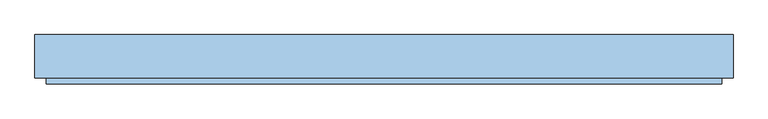
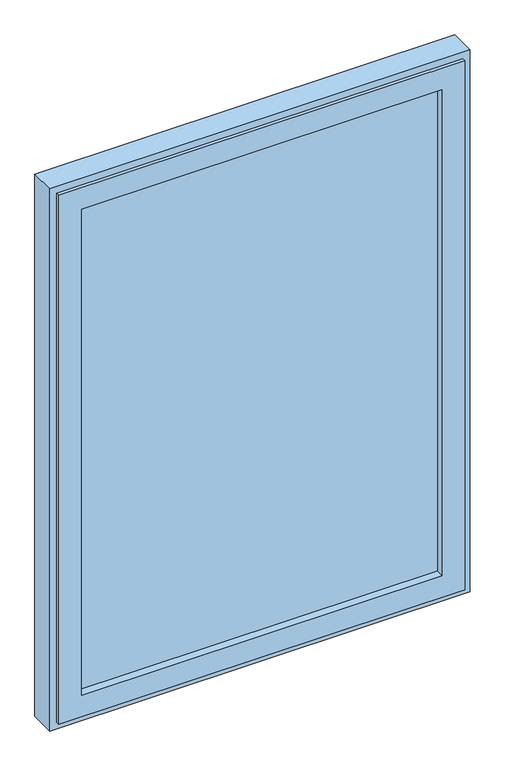
"""IFC4 building model written with IfcOpenShell, lengths in millimetres: window geometry."""

from ifc_helpers import new_model, si_unit, frame, origin, place, context, project, spatial, polyline, outline, extrude, faceted_brep, source, transform, mapped, element, save


def window_54f887d2(model_context):
    return source(origin(), model_context, "Body", "SolidModel", [
        extrude(outline(polyline([(477.0, -17.2), (-477.0, -17.2), (-477.0, 24.8), (477.0, 24.8), (477.0, -17.2)])), frame((0.0, 0.0, 973.0), z_axis=(0.0, 0.0, 1.0), x_axis=(1.0, 0.0, 0.0)), (0.0, 0.0, 1.0), 1354.0),
        faceted_brep([(532.0, -29.7, 2382.0), (532.0, -38.7, 2382.0), (532.0, -38.7, 918.0), (532.0, -29.7, 918.0), (-532.0, -38.7, 2382.0), (-532.0, -38.7, 918.0), (472.0, -38.7, 978.0), (-472.0, -38.7, 978.0), (-472.0, -38.7, 2322.0), (472.0, -38.7, 2322.0), (-532.0, -29.7, 918.0), (-532.0, -29.7, 2382.0), (519.5, -29.7, 2369.5), (-519.5, -29.7, 2369.5), (-519.5, -29.7, 930.5), (519.5, -29.7, 930.5), (519.5, 33.3, 2369.5), (519.5, 33.3, 930.5), (-519.5, 33.3, 930.5), (-519.5, 33.3, 2369.5), (477.0, 33.3, 2327.0), (-477.0, 33.3, 2327.0), (-477.0, 33.3, 973.0), (477.0, 33.3, 973.0), (477.0, -17.2, 2327.0), (477.0, -17.2, 973.0), (-477.0, -17.2, 973.0), (-477.0, -17.2, 2327.0), (472.0, -17.2, 2322.0), (-472.0, -17.2, 2322.0), (-472.0, -17.2, 978.0), (472.0, -17.2, 978.0)], [[[0, 1, 2, 3]], [[1, 4, 5, 2], [6, 7, 8, 9]], [[3, 2, 5, 10]], [[3, 10, 11, 0], [12, 13, 14, 15]], [[16, 12, 15, 17]], [[17, 15, 14, 18]], [[17, 18, 19, 16], [20, 21, 22, 23]], [[24, 20, 23, 25]], [[25, 23, 22, 26]], [[25, 26, 27, 24], [28, 29, 30, 31]], [[9, 28, 31, 6]], [[6, 31, 30, 7]], [[10, 5, 4, 11]], [[18, 14, 13, 19]], [[26, 22, 21, 27]], [[7, 30, 29, 8]], [[11, 4, 1, 0]], [[19, 13, 12, 16]], [[27, 21, 20, 24]], [[8, 29, 28, 9]]]),
        faceted_brep([(482.0, 33.8, 2332.0), (482.0, 38.8, 2332.0), (482.0, 38.8, 968.0), (482.0, 33.8, 968.0), (550.0, 38.8, 900.0), (-550.0, 38.8, 900.0), (-550.0, 38.8, 2400.0), (550.0, 38.8, 2400.0), (-482.0, 38.8, 2332.0), (-482.0, 38.8, 968.0), (-482.0, 33.8, 968.0), (526.0, 33.8, 2376.0), (-526.0, 33.8, 2376.0), (-526.0, 33.8, 924.0), (526.0, 33.8, 924.0), (-482.0, 33.8, 2332.0), (526.0, -29.2, 2376.0), (526.0, -29.2, 924.0), (-526.0, -29.2, 924.0), (550.0, -29.2, 2400.0), (-550.0, -29.2, 2400.0), (-550.0, -29.2, 900.0), (550.0, -29.2, 900.0), (-526.0, -29.2, 2376.0)], [[[0, 1, 2, 3]], [[4, 5, 6, 7], [1, 8, 9, 2]], [[3, 2, 9, 10]], [[11, 12, 13, 14], [3, 10, 15, 0]], [[16, 11, 14, 17]], [[17, 14, 13, 18]], [[19, 20, 21, 22], [17, 18, 23, 16]], [[7, 19, 22, 4]], [[4, 22, 21, 5]], [[10, 9, 8, 15]], [[18, 13, 12, 23]], [[5, 21, 20, 6]], [[15, 8, 1, 0]], [[23, 12, 11, 16]], [[6, 20, 19, 7]]]),
    ])


if __name__ == "__main__":
    model = new_model("IFC4")
    model_context = context("Model", 3, world=origin())
    ifc_project = project(units=[si_unit("LENGTHUNIT", "METRE", prefix="MILLI")], contexts=[model_context])
    site = spatial("IfcSite", under=ifc_project)
    building = spatial("IfcBuilding", under=site)
    placement = place(None, origin())
    window_shape = window_54f887d2(model_context)
    element("IfcWindow", 1, at=placement, inside=building, context=model_context, shape_type="MappedRepresentation", body=[
        mapped(window_shape, transform((0.0, 0.0, 0.0), x_axis=(1.0, 0.0, 0.0), y_axis=(0.0, 1.0, 0.0), z_axis=(0.0, 0.0, 1.0))),
    ])
    save(model, "model.ifc")
